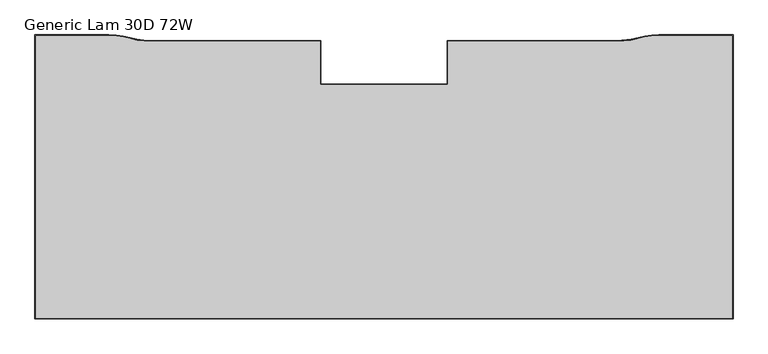
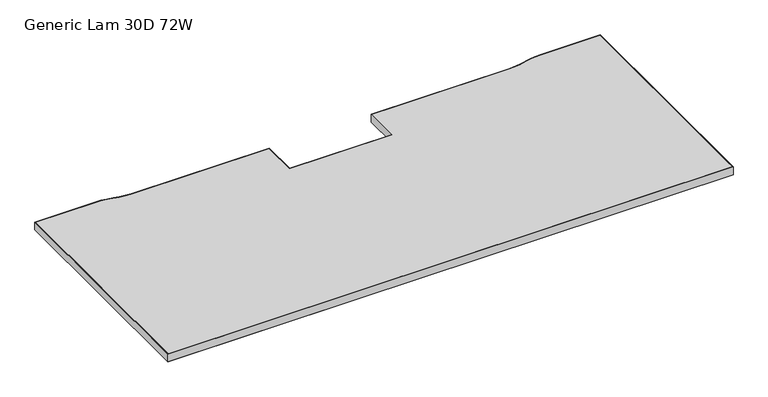
"""IFC4 building model written with IfcOpenShell, lengths in millimetres: furniture geometry, Generic Lam 30D 72W."""

from ifc_helpers import new_model, si_unit, frame, origin, place, context, project, spatial, polyline, outline, extrude, faceted_brep, source, transform, mapped, element, save


def generic_lam_30d_72w_11d22ada(model_context):
    return source(origin(), model_context, "Body", "SolidModel", [
        extrude(outline(polyline([(746.3535937, -145.6435971), (1079.2460063, -145.6435971), (1079.2460063, -31.5975991), (1523.4555858, -31.5975991), (1559.4667599, -28.3288692), (1595.1386377, -20.0126083), (1613.4902792, -17.4446442), (1632.0007772, -16.5862005), (1824.1518029, -16.5862005), (1824.1518029, -757.2248121), (1.6002, -757.2248121), (1.6002, -16.5862005), (193.5988046, -16.5862005), (212.109339, -17.4446442), (230.4609804, -20.0126083), (248.4961805, -24.2680456), (266.1328583, -28.3288692), (284.0644309, -30.7787401), (302.1440323, -31.5975991), (746.3535937, -31.5975991), (746.3535937, -145.6435971)])), frame((0.0, 0.0, 697.23), z_axis=(0.0, 0.0, 1.0), x_axis=(1.0, 0.0, 0.0)), (0.0, 0.0, 1.0), 26.67),
        faceted_brep([(1632.0007772, -14.9842806, 723.9), (1632.0007772, -14.9842806, 697.23), (1613.4161479, -15.8461622, 697.23), (1613.4161479, -15.8461622, 723.9), (1632.0007772, -16.5862005, 697.23), (1632.0007772, -16.5862005, 723.9), (1613.4902792, -17.4446442, 723.9), (1613.4902792, -17.4446442, 697.23), (1594.9168806, -18.4278485, 697.23), (1594.9168806, -18.4278485, 723.9), (1595.1386377, -20.0126083, 723.9), (1595.1386377, -20.0126083, 697.23), (1559.2115522, -26.7452557, 697.23), (1559.2115522, -26.7452557, 723.9), (1559.4667599, -28.3288692, 723.9), (1559.4667599, -28.3288692, 697.23), (1523.3109306, -30.0039508, 697.23), (1523.3109306, -30.0039508, 723.9), (1523.4555858, -31.5975991, 723.9), (1523.4555858, -31.5975991, 697.23), (1077.6458063, -29.9973991, 697.23), (1077.6458063, -29.9973991, 723.9), (1079.2460063, -31.5975991, 723.9), (1079.2460063, -31.5975991, 697.23), (1077.6458063, -144.0433971, 697.23), (1077.6458063, -144.0433971, 723.9), (1079.2460063, -145.6435971, 723.9), (1079.2460063, -145.6435971, 697.23), (747.9537937, -144.0433971, 697.23), (747.9537937, -144.0433971, 723.9), (746.3535937, -145.6435971, 723.9), (746.3535937, -145.6435971, 697.23), (747.9537937, -29.9973991, 697.23), (747.9537937, -29.9973991, 723.9), (746.3535937, -31.5975991, 723.9), (746.3535937, -31.5975991, 697.23), (302.1440323, -29.9973991, 697.23), (302.1440323, -29.9973991, 723.9), (302.1440323, -31.5975991, 723.9), (302.1440323, -31.5975991, 697.23), (284.1368328, -29.1801789, 697.23), (284.1368328, -29.1801789, 723.9), (284.0644309, -30.7787401, 723.9), (284.0644309, -30.7787401, 697.23), (266.3494707, -26.7433979, 697.23), (266.3494707, -26.7433979, 723.9), (266.1328583, -28.3288692, 723.9), (266.1328583, -28.3288692, 697.23), (248.8552301, -22.7086472, 697.23), (248.8552301, -22.7086472, 723.9), (248.4961805, -24.2680456, 723.9), (248.4961805, -24.2680456, 697.23), (230.8284596, -18.4551748, 697.23), (230.8284596, -18.4551748, 723.9), (230.4609804, -20.0126083, 723.9), (230.4609804, -20.0126083, 697.23), (212.3310961, -15.8598843, 697.23), (212.3310961, -15.8598843, 723.9), (212.109339, -17.4446442, 723.9), (212.109339, -17.4446442, 697.23), (193.6729357, -14.9877185, 697.23), (193.6729357, -14.9877185, 723.9), (193.5988046, -16.5862005, 723.9), (193.5988046, -16.5862005, 697.23), (0.0, -14.9860005, 697.23), (0.0, -14.9860005, 723.9), (1.6002, -16.5862005, 723.9), (1.6002, -16.5862005, 697.23), (0.0, -758.8250121, 697.23), (0.0, -758.8250121, 723.9), (1.6002, -757.2248121, 723.9), (1.6002, -757.2248121, 697.23), (1825.7520029, -758.8250121, 697.23), (1825.7520029, -758.8250121, 723.9), (1824.1518029, -757.2248121, 723.9), (1824.1518029, -757.2248121, 697.23), (1825.7520029, -14.9860005, 697.23), (1825.7520029, -14.9860005, 723.9), (1824.1518029, -16.5862005, 723.9), (1824.1518029, -16.5862005, 697.23)], [[[0, 1, 2, 3]], [[4, 5, 6, 7]], [[3, 2, 8, 9]], [[7, 6, 10, 11]], [[9, 8, 12, 13]], [[11, 10, 14, 15]], [[13, 12, 16, 17]], [[15, 14, 18, 19]], [[17, 16, 20, 21]], [[19, 18, 22, 23]], [[21, 20, 24, 25]], [[23, 22, 26, 27]], [[25, 24, 28, 29]], [[27, 26, 30, 31]], [[29, 28, 32, 33]], [[31, 30, 34, 35]], [[33, 32, 36, 37]], [[35, 34, 38, 39]], [[37, 36, 40, 41]], [[39, 38, 42, 43]], [[41, 40, 44, 45]], [[43, 42, 46, 47]], [[45, 44, 48, 49]], [[47, 46, 50, 51]], [[49, 48, 52, 53]], [[51, 50, 54, 55]], [[53, 52, 56, 57]], [[55, 54, 58, 59]], [[57, 56, 60, 61]], [[59, 58, 62, 63]], [[61, 60, 64, 65]], [[63, 62, 66, 67]], [[65, 64, 68, 69]], [[67, 66, 70, 71]], [[69, 68, 72, 73]], [[71, 70, 74, 75]], [[73, 72, 76, 77]], [[75, 74, 78, 79]], [[1, 76, 72, 68, 64, 60, 56, 52, 48, 44, 40, 36, 32, 28, 24, 20, 16, 12, 8, 2], [71, 75, 79, 4, 7, 11, 15, 19, 23, 27, 31, 35, 39, 43, 47, 51, 55, 59, 63, 67]], [[77, 76, 1, 0]], [[69, 73, 77, 0, 3, 9, 13, 17, 21, 25, 29, 33, 37, 41, 45, 49, 53, 57, 61, 65], [5, 78, 74, 70, 66, 62, 58, 54, 50, 46, 42, 38, 34, 30, 26, 22, 18, 14, 10, 6]], [[79, 78, 5, 4]]]),
    ])


if __name__ == "__main__":
    model = new_model("IFC4")
    model_context = context("Model", 3, world=origin())
    ifc_project = project(units=[si_unit("LENGTHUNIT", "METRE", prefix="MILLI")], contexts=[model_context])
    site = spatial("IfcSite", under=ifc_project)
    building = spatial("IfcBuilding", under=site)
    placement = place(None, origin())
    generic_lam_30d_72w_shape = generic_lam_30d_72w_11d22ada(model_context)
    element("IfcFurniture", 1, ObjectType="Generic Lam 30D 72W", at=placement, inside=building, context=model_context, shape_type="MappedRepresentation", body=[
        mapped(generic_lam_30d_72w_shape, transform((0.0, 0.0, 0.0), x_axis=(1.0, 0.0, 0.0), y_axis=(0.0, 1.0, 0.0), z_axis=(0.0, 0.0, 1.0))),
    ])
    save(model, "model.ifc")
